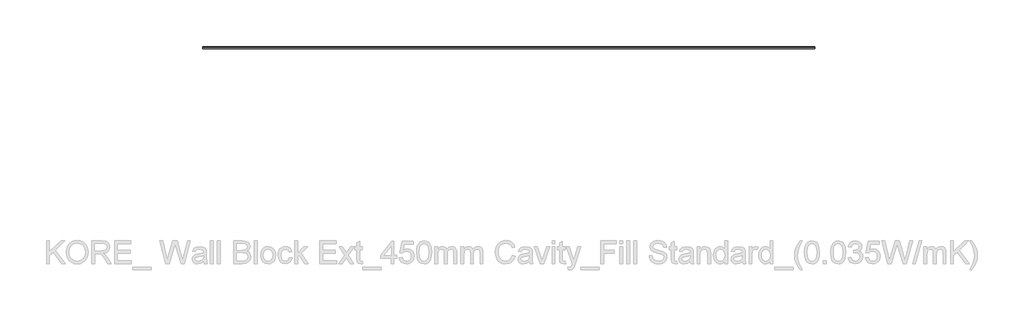
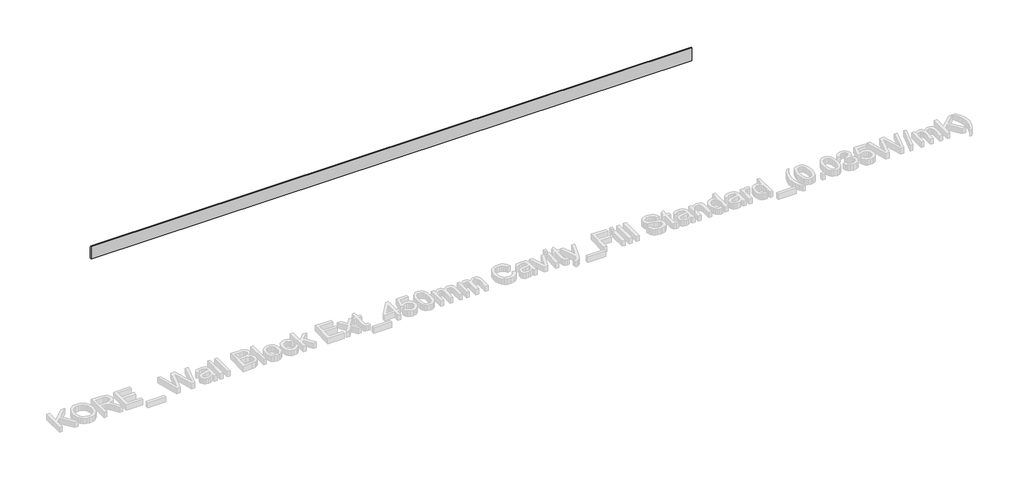
# One storey, part 39 of 60: 1 proxy.
"""IFC4 building model written with IfcOpenShell, lengths in millimetres."""

from ifc_helpers import new_model, si_unit, point, frame, frame_2d, origin, place, context, project, spatial, polyline, circle_curve, trimmed, segment, composite_curve, outline, extrude, element, save

model = new_model("IFC4")

# Units and contexts
model_context = context("Model", 3, world=origin())
ifc_project = project(units=[si_unit("LENGTHUNIT", "METRE", prefix="MILLI")], contexts=[model_context])

# Site, building, storey
site = spatial("IfcSite", under=ifc_project)
building = spatial("IfcBuilding", under=site)
storey = spatial("IfcBuildingStorey", under=building, Elevation=0.0)

# Proxy
placement = place(None, origin())
element("IfcBuildingElementProxy", 1, Name="Wall Sweeps", at=placement, inside=storey, context=model_context, shape_type="SweptSolid", body=[
    extrude(outline(composite_curve([segment(polyline([(6240.4236863, 134.5), (6249.4236863, 134.5), (6249.4236863, 125.2473165)]), True, "CONTINUOUS"), segment(trimmed(circle_curve(frame_2d((6239.8063342, 113.7361681)), 15.0), [point((6249.4236863, 125.2473165))], [point((6254.8063342, 113.7361681))], False, "CARTESIAN"), True, "CONTINUOUS"), segment(polyline([(6254.8063342, 113.7361681), (6254.8063342, 94.9145021), (6258.4236863, 86.1071309), (6258.4236863, 14.5), (6240.4236863, 14.5), (6240.4236863, 134.5)]), True, "CONTINUOUS")], self_intersect=False)), frame((61930.0129216, 0.0, 0.0), z_axis=(1.0, 0.0, 0.0), x_axis=(0.0, 1.0, 0.0)), (0.0, 0.0, 1.0), 5310.0),
])

save(model, "model.ifc")
